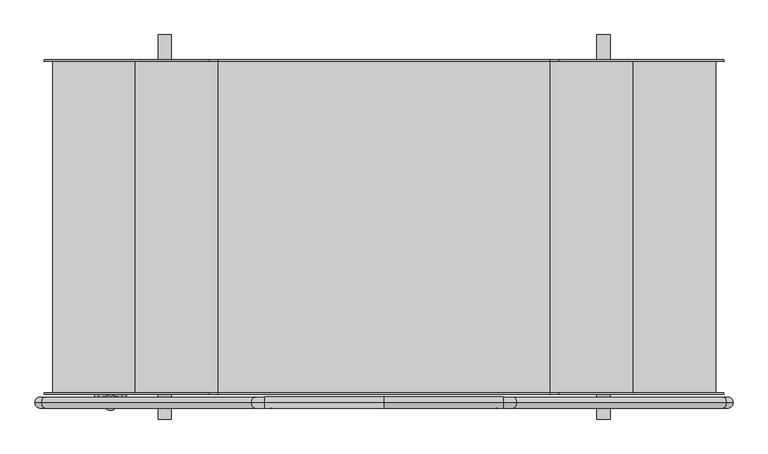
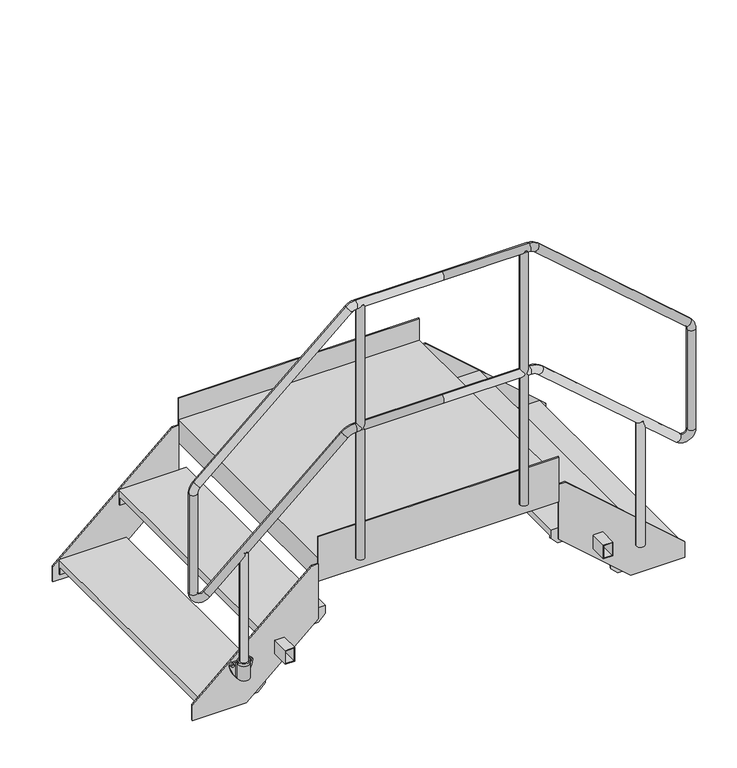
"""IFC4 building model written with IfcOpenShell, lengths in millimetres: beam geometry."""

from ifc_helpers import new_model, si_unit, point, frame, frame_2d, origin, place, context, project, spatial, polyline, circle_curve, ellipse_curve, trimmed, segment, composite_curve, outline, extrude, faceted_brep, source, transform, mapped, element, save
from ifc_brep_helpers import plane_surface, cylinder_surface, revolved_surface, advanced_brep


def beam_e1da2f16(model_context):
    return source(origin(), model_context, "Body", "SolidModel", [
        advanced_brep(
        [(-848.5, -530.5, 318.5021879), (-801.5, -530.5, 318.5021879), (-842.5, -530.5, 318.5021879), (-807.5, -530.5, 318.5021879), (-840.6843871, -513.0, 306.5021879), (-809.3156129, -513.0, 306.5021879), (-825.0, -513.0, 306.5021879), (-842.5, -530.5, 306.5021879), (-829.2742096, -513.5299932, 306.5021879), (-825.0, -513.0, 306.5021879), (-820.7257904, -513.5299932, 306.5021879), (-807.5, -530.5, 306.5021879), (-848.5, -530.5, 306.5021879), (-801.5, -530.5, 306.5021879), (-805.0724935, -518.0442991, 306.5021879), (-844.9275065, -518.0442991, 306.5021879), (-802.160166, -513.0, 306.5021879), (-847.839834, -513.0, 306.5021879), (-805.0724935, -518.0442991, 242.5021879), (-844.9275065, -518.0442991, 242.5021879), (-847.839834, -513.0, 242.5021879), (-802.160166, -513.0, 242.5021879), (-820.7257904, -513.5299932, 242.5021879), (-829.2742096, -513.5299932, 242.5021879)],
        [
            (0, 1, circle_curve(frame((-825.0, -530.5, 318.5021879), z_axis=(0.0, 0.0, 1.0), x_axis=(1.0, 0.0, 0.0)), 23.5)),
            (1, 0, circle_curve(frame((-825.0, -530.5, 318.5021879), z_axis=(0.0, 0.0, 1.0), x_axis=(1.0, 0.0, 0.0)), 23.5)),
            (2, 3, circle_curve(frame((-825.0, -530.5, 318.5021879), z_axis=(0.0, 0.0, -1.0), x_axis=(1.0, 0.0, 0.0)), 17.5)),
            (3, 2, circle_curve(frame((-825.0, -530.5, 318.5021879), z_axis=(0.0, 0.0, -1.0), x_axis=(1.0, 0.0, 0.0)), 17.5)),
            (4, 5, circle_curve(frame((-825.0, -530.5, 306.5021879), z_axis=(0.0, 0.0, -1.0), x_axis=(1.0, 0.0, 0.0)), 23.5)),
            (5, 6),
            (6, 4),
            (2, 7),
            (7, 8, circle_curve(frame((-825.0, -530.5, 306.5021879), z_axis=(0.0, 0.0, -1.0), x_axis=(1.0, 0.0, 0.0)), 17.5)),
            (8, 9, circle_curve(frame((-825.0, -530.5, 306.5021879), z_axis=(0.0, 0.0, -1.0), x_axis=(1.0, 0.0, 0.0)), 17.5)),
            (9, 10, circle_curve(frame((-825.0, -530.5, 306.5021879), z_axis=(0.0, 0.0, -1.0), x_axis=(1.0, 0.0, 0.0)), 17.5)),
            (10, 11, circle_curve(frame((-825.0, -530.5, 306.5021879), z_axis=(0.0, 0.0, -1.0), x_axis=(1.0, 0.0, 0.0)), 17.5)),
            (11, 3),
            (11, 7, circle_curve(frame((-825.0, -530.5, 306.5021879), z_axis=(0.0, 0.0, -1.0), x_axis=(1.0, 0.0, 0.0)), 17.5)),
            (0, 12),
            (12, 13, circle_curve(frame((-825.0, -530.5, 306.5021879), z_axis=(0.0, 0.0, 1.0), x_axis=(1.0, 0.0, 0.0)), 23.5)),
            (13, 1),
            (13, 14, circle_curve(frame((-825.0, -530.5, 306.5021879), z_axis=(0.0, 0.0, 1.0), x_axis=(1.0, 0.0, 0.0)), 23.5)),
            (14, 5, circle_curve(frame((-825.0, -530.5, 306.5021879), z_axis=(0.0, 0.0, 1.0), x_axis=(1.0, 0.0, 0.0)), 23.5)),
            (4, 15, circle_curve(frame((-825.0, -530.5, 306.5021879), z_axis=(0.0, 0.0, 1.0), x_axis=(1.0, 0.0, 0.0)), 23.5)),
            (15, 12, circle_curve(frame((-825.0, -530.5, 306.5021879), z_axis=(0.0, 0.0, 1.0), x_axis=(1.0, 0.0, 0.0)), 23.5)),
            (8, 10),
            (14, 16, circle_curve(frame((-802.1711253, -516.3565387, 306.5021879), z_axis=(0.0, 0.0, -1.0), x_axis=(-1.0, 0.0, 0.0)), 3.3565566)),
            (16, 5),
            (17, 15, circle_curve(frame((-847.8288747, -516.3565387, 306.5021879), z_axis=(0.0, 0.0, -1.0), x_axis=(1.0, 0.0, 0.0)), 3.3565566)),
            (4, 17),
            (18, 19, circle_curve(frame((-825.0, -530.5, 242.5021879), z_axis=(0.0, 0.0, -1.0), x_axis=(1.0, 0.0, 0.0)), 23.5)),
            (19, 20, circle_curve(frame((-847.8288747, -516.3565387, 242.5021879), z_axis=(0.0, 0.0, 1.0), x_axis=(1.0, 0.0, 0.0)), 3.3565566)),
            (20, 21),
            (21, 18, circle_curve(frame((-802.1711253, -516.3565387, 242.5021879), z_axis=(0.0, 0.0, 1.0), x_axis=(-1.0, 0.0, 0.0)), 3.3565566)),
            (22, 23),
            (23, 22, circle_curve(frame((-825.0, -530.5, 242.5021879), z_axis=(0.0, 0.0, 1.0), x_axis=(1.0, 0.0, 0.0)), 17.5)),
            (23, 8),
            (10, 22),
            (14, 18),
            (21, 16),
            (20, 17),
            (19, 15),
        ],
        [
            plane_surface(frame((-807.5, -530.5, 318.5021879), z_axis=(0.0, 0.0, 1.0), x_axis=(0.0, -1.0, 0.0))),
            plane_surface(frame((-807.5, -530.5, 306.5021879), z_axis=(0.0, 0.0, -1.0), x_axis=(0.0, 1.0, 0.0))),
            revolved_surface(polyline([(-807.5, -530.5, 306.5021879), (-807.5, -530.5, 318.5021879)]), (-825.0, -530.5, 306.5021879), (0.0, 0.0, -1.0)),
            cylinder_surface(frame((-825.0, -530.5, 306.5021879), z_axis=(0.0, 0.0, 1.0), x_axis=(1.0, 0.0, 0.0)), 23.5),
            plane_surface(frame((-807.5, -530.5, 306.5021879), z_axis=(0.0, 0.0, 1.0), x_axis=(0.0, -1.0, 0.0))),
            plane_surface(frame((-807.5, -530.5, 242.5021879), z_axis=(0.0, 0.0, -1.0), x_axis=(0.0, 1.0, 0.0))),
            revolved_surface(polyline([(-807.5, -530.5, 242.5021879), (-807.5, -530.5, 306.5021879)]), (-825.0, -530.5, 242.5021879), (0.0, 0.0, -1.0)),
            plane_surface(frame((-829.2742096, -513.5299932, 306.5021879), z_axis=(0.0, -1.0, 0.0), x_axis=(0.0, 0.0, -1.0))),
            revolved_surface(polyline([(-805.5276819, -516.3565387, 242.5021879), (-805.5276819, -516.3565387, 306.5021879)]), (-802.1711253, -516.3565387, 242.5021879), (0.0, 0.0, -1.0)),
            plane_surface(frame((-802.160166, -513.0, 306.5021879), z_axis=(0.0, 1.0, 0.0), x_axis=(0.0, 0.0, -1.0))),
            revolved_surface(polyline([(-844.4723181, -516.3565387, 242.5021879), (-844.4723181, -516.3565387, 306.5021879)]), (-847.8288747, -516.3565387, 242.5021879), (0.0, 0.0, -1.0)),
            cylinder_surface(frame((-825.0, -530.5, 242.5021879), z_axis=(0.0, 0.0, 1.0), x_axis=(1.0, 0.0, 0.0)), 23.5),
        ],
        [
            (0, [[1, 2], [3, 4]]),
            (1, [[5, 6, 7]]),
            (2, [[-3, 8, 9, 10, 11, 12, 13]]),
            (2, [[-4, -13, 14, -8]]),
            (3, [[-1, 15, 16, 17]]),
            (3, [[-2, -17, 18, 19, -5, 20, 21, -15]]),
            (4, [[22, -11, -10]]),
            (4, [[23, 24, -19]]),
            (4, [[25, -20, 26]]),
            (5, [[27, 28, 29, 30], [31, 32]]),
            (6, [[-32, 33, -9, -14, -12, 34]]),
            (7, [[-22, -33, -31, -34]]),
            (8, [[-23, 35, -30, 36]]),
            (9, [[-29, 37, -26, -7, -6, -24, -36]]),
            (10, [[-25, -37, -28, 38]]),
            (11, [[-27, -35, -18, -16, -21, -38]]),
        ],
    ),
        extrude(outline(composite_curve([segment(trimmed(circle_curve(frame_2d((312.1021879, -755.6)), 118.3), [point((293.8380046, -872.4816051))], [point((221.6269174, -831.8175533))], False, "CARTESIAN"), True, "CONTINUOUS"), segment(trimmed(circle_curve(frame_2d((231.5021879, -825.0)), 12.0), [point((221.6269174, -831.8175533))], [point((223.2936993, -816.246674))], False, "CARTESIAN"), True, "CONTINUOUS"), segment(trimmed(circle_curve(frame_2d((312.1021879, -894.4)), 118.3), [point((223.2936993, -816.246674))], [point((293.8380046, -777.5183949))], False, "CARTESIAN"), True, "CONTINUOUS"), segment(trimmed(circle_curve(frame_2d((294.5021879, -789.5)), 12.0), [point((293.8380046, -777.5183949))], [point((306.5021879, -789.5))], False, "CARTESIAN"), True, "CONTINUOUS"), segment(polyline([(306.5021879, -789.5), (306.5021879, -860.5)]), True, "CONTINUOUS"), segment(trimmed(circle_curve(frame_2d((294.5021879, -860.5)), 12.0), [point((306.5021879, -860.5))], [point((293.8380046, -872.4816051))], False, "CARTESIAN"), True, "CONTINUOUS")], self_intersect=False), holes=[composite_curve([segment(trimmed(circle_curve(frame_2d((231.5021879, -825.0)), 6.0), [point((231.5021879, -831.0))], [point((231.5021879, -819.0))], True, "CARTESIAN"), True, "CONTINUOUS"), segment(trimmed(circle_curve(frame_2d((231.5021879, -825.0)), 6.0), [point((231.5021879, -819.0))], [point((231.5021879, -831.0))], True, "CARTESIAN"), True, "CONTINUOUS")], self_intersect=False), composite_curve([segment(trimmed(circle_curve(frame_2d((294.5021879, -860.5)), 6.0), [point((294.5021879, -866.5))], [point((294.5021879, -854.5))], True, "CARTESIAN"), True, "CONTINUOUS"), segment(trimmed(circle_curve(frame_2d((294.5021879, -860.5)), 6.0), [point((294.5021879, -854.5))], [point((294.5021879, -866.5))], True, "CARTESIAN"), True, "CONTINUOUS")], self_intersect=False), composite_curve([segment(trimmed(circle_curve(frame_2d((294.5021879, -789.5)), 6.0), [point((294.5021879, -783.5))], [point((294.5021879, -795.5))], True, "CARTESIAN"), True, "CONTINUOUS"), segment(trimmed(circle_curve(frame_2d((294.5021879, -789.5)), 6.0), [point((294.5021879, -795.5))], [point((294.5021879, -783.5))], True, "CARTESIAN"), True, "CONTINUOUS")], self_intersect=False)]), frame((0.0, -513.0, 0.0), z_axis=(0.0, 1.0, 0.0), x_axis=(0.0, 0.0, 1.0)), (0.0, 0.0, 1.0), 8.0),
        extrude(outline(composite_curve([segment(trimmed(circle_curve(frame_2d((-825.0, -530.5)), 16.8), [point((-841.8, -530.5))], [point((-808.2, -530.5))], False, "CARTESIAN"), True, "CONTINUOUS"), segment(trimmed(circle_curve(frame_2d((-825.0, -530.5)), 16.8), [point((-808.2, -530.5))], [point((-841.8, -530.5))], False, "CARTESIAN"), True, "CONTINUOUS")], self_intersect=False)), frame((0.0, 0.0, 248.5021879), z_axis=(0.0, 0.0, 1.0), x_axis=(1.0, 0.0, 0.0)), (0.0, 0.0, 1.0), 552.0),
        extrude(outline(composite_curve([segment(trimmed(circle_curve(frame_2d((825.0, -530.5)), 16.8), [point((841.8, -530.5))], [point((808.2, -530.5))], False, "CARTESIAN"), True, "CONTINUOUS"), segment(trimmed(circle_curve(frame_2d((825.0, -530.5)), 16.8), [point((808.2, -530.5))], [point((841.8, -530.5))], False, "CARTESIAN"), True, "CONTINUOUS")], self_intersect=False)), frame((0.0, 0.0, 248.5021879), z_axis=(0.0, 0.0, 1.0), x_axis=(1.0, 0.0, 0.0)), (0.0, 0.0, 1.0), 552.0),
        extrude(outline(composite_curve([segment(trimmed(circle_curve(frame_2d((-340.0, -530.5)), 16.8), [point((-356.8, -530.5))], [point((-323.2, -530.5))], False, "CARTESIAN"), True, "CONTINUOUS"), segment(trimmed(circle_curve(frame_2d((-340.0, -530.5)), 16.8), [point((-323.2, -530.5))], [point((-356.8, -530.5))], False, "CARTESIAN"), True, "CONTINUOUS")], self_intersect=False)), frame((0.0, 0.0, 600.5021879), z_axis=(0.0, 0.0, 1.0), x_axis=(1.0, 0.0, 0.0)), (0.0, 0.0, 1.0), 1120.0),
        extrude(outline(composite_curve([segment(trimmed(circle_curve(frame_2d((340.0, -530.5)), 16.8), [point((356.8, -530.5))], [point((323.2, -530.5))], False, "CARTESIAN"), True, "CONTINUOUS"), segment(trimmed(circle_curve(frame_2d((340.0, -530.5)), 16.8), [point((323.2, -530.5))], [point((356.8, -530.5))], False, "CARTESIAN"), True, "CONTINUOUS")], self_intersect=False)), frame((0.0, 0.0, 600.5021879), z_axis=(0.0, 0.0, 1.0), x_axis=(1.0, 0.0, 0.0)), (0.0, 0.0, 1.0), 1120.0),
        advanced_brep(
        [(0.0, -530.5, 1703.9021879), (360.0669192, -530.5, 1703.9021879), (360.0669192, -530.5, 1737.5021879), (0.0, -530.5, 1737.5021879), (377.3868776, -530.5, 1697.4265208), (399.430461, -530.5, 1722.7847627), (1010.3199584, -530.5, 1147.2261877), (1032.3635417, -530.5, 1172.5844296), (1019.4, -530.5, 1127.3018548), (1053.0, -530.5, 1127.3018548), (1019.4, -530.5, 689.3047776), (1053.0, -530.5, 689.3047776), (992.2406319, -530.5, 676.9275405), (970.1970486, -530.5, 651.5692986), (418.6523008, -530.5, 1175.5402697), (396.6087175, -530.5, 1150.1820278), (363.805766, -530.5, 1196.0465487), (363.805766, -530.5, 1162.4465487), (0.0, -530.5, 1196.0465487), (0.0, -530.5, 1162.4465487), (-360.0669192, -530.5, 1737.5021879), (-360.0669192, -530.5, 1703.9021879), (-399.430461, -530.5, 1722.7847627), (-377.3868776, -530.5, 1697.4265208), (-1032.3635417, -530.5, 1172.5844296), (-1010.3199584, -530.5, 1147.2261877), (-1053.0, -530.5, 1127.3018548), (-1019.4, -530.5, 1127.3018548), (-1053.0, -530.5, 689.3047776), (-1019.4, -530.5, 689.3047776), (-970.1970486, -530.5, 651.5692986), (-992.2406319, -530.5, 676.9275405), (-396.6087175, -530.5, 1150.1820278), (-418.6523008, -530.5, 1175.5402697), (-363.805766, -530.5, 1162.4465487), (-363.805766, -530.5, 1196.0465487)],
        [
            (0, 1),
            (1, 2, circle_curve(frame((360.0669192, -530.5, 1720.7021879), z_axis=(-1.0, 0.0, 0.0), x_axis=(0.0, 0.0, -1.0)), 16.8)),
            (2, 3),
            (3, 0, circle_curve(frame((0.0, -530.5, 1720.7021879), z_axis=(1.0, 0.0, 0.0), x_axis=(0.0, 0.0, -1.0)), 16.8)),
            (0, 3, circle_curve(frame((0.0, -530.5, 1720.7021879), z_axis=(1.0, 0.0, 0.0), x_axis=(0.0, 0.0, -1.0)), 16.8)),
            (2, 1, circle_curve(frame((360.0669192, -530.5, 1720.7021879), z_axis=(-1.0, 0.0, 0.0), x_axis=(0.0, 0.0, -1.0)), 16.8)),
            (1, 4, circle_curve(frame((360.0669192, -530.5, 1677.5021879), z_axis=(0.0, 1.0, 0.0), x_axis=(0.0, 0.0, 1.0)), 26.4)),
            (4, 5, circle_curve(frame((388.4086693, -530.5, 1710.1056417), z_axis=(-0.754709580222773, 0.0, 0.656059028990506), x_axis=(-0.656059028990506, 0.0, -0.754709580222773)), 16.8)),
            (5, 2, circle_curve(frame((360.0669192, -530.5, 1677.5021879), z_axis=(0.0, -1.0, 0.0), x_axis=(0.0, 0.0, 1.0)), 60.0)),
            (5, 4, circle_curve(frame((388.4086693, -530.5, 1710.1056417), z_axis=(-0.7547095802227751, 0.0, 0.6560590289905037), x_axis=(-0.6560590289905037, 0.0, -0.7547095802227751)), 16.8)),
            (4, 6),
            (6, 7, circle_curve(frame((1021.3417501, -530.5, 1159.9053087), z_axis=(-0.7547095802227749, 0.0, 0.6560590289905042), x_axis=(-0.6560590289905041, 0.0, -0.7547095802227747)), 16.8)),
            (7, 5),
            (7, 6, circle_curve(frame((1021.3417501, -530.5, 1159.9053087), z_axis=(-0.7547095802227749, 0.0, 0.6560590289905042), x_axis=(-0.6560590289905041, 0.0, -0.7547095802227747)), 16.8)),
            (6, 8, circle_curve(frame((993.0, -530.5, 1127.3018548), z_axis=(0.0, 1.0, 0.0), x_axis=(0.6560590289905052, 0.0, 0.7547095802227739)), 26.4)),
            (8, 9, circle_curve(frame((1036.2, -530.5, 1127.3018548), z_axis=(0.0, 0.0, 1.0), x_axis=(-1.0, 0.0, 0.0)), 16.8)),
            (9, 7, circle_curve(frame((993.0, -530.5, 1127.3018548), z_axis=(0.0, -1.0, 0.0), x_axis=(0.6560590289905052, 0.0, 0.7547095802227739)), 60.0)),
            (9, 8, circle_curve(frame((1036.2, -530.5, 1127.3018548), z_axis=(0.0, 0.0, 1.0), x_axis=(-1.0, 0.0, 0.0)), 16.8)),
            (8, 10),
            (10, 11, circle_curve(frame((1036.2, -530.5, 689.3047776), z_axis=(0.0, 0.0, 1.0), x_axis=(-1.0, 0.0, 0.0)), 16.8)),
            (11, 9),
            (11, 10, circle_curve(frame((1036.2, -530.5, 689.3047776), z_axis=(0.0, 0.0, 1.0), x_axis=(-1.0, 0.0, 0.0)), 16.8)),
            (10, 12, circle_curve(frame((1003.0, -530.5, 689.3047776), z_axis=(0.0, 1.0, 0.0), x_axis=(1.0, 0.0, 0.0)), 16.4)),
            (12, 13, circle_curve(frame((981.2188402, -530.5, 664.2484195), z_axis=(0.7547095802227699, 0.0, -0.6560590289905096), x_axis=(0.6560590289905096, 0.0, 0.7547095802227699)), 16.8)),
            (13, 11, circle_curve(frame((1003.0, -530.5, 689.3047776), z_axis=(0.0, -1.0, 0.0), x_axis=(1.0, 0.0, 0.0)), 50.0)),
            (13, 12, circle_curve(frame((981.2188402, -530.5, 664.2484195), z_axis=(0.7547095802227763, 0.0, -0.6560590289905023), x_axis=(0.6560590289905023, 0.0, 0.7547095802227763)), 16.8)),
            (12, 14),
            (14, 15, circle_curve(frame((407.6305092, -530.5, 1162.8611487), z_axis=(0.754709580222775, 0.0, -0.6560590289905041), x_axis=(0.6560590289905041, 0.0, 0.754709580222775)), 16.8)),
            (15, 13),
            (15, 14, circle_curve(frame((407.6305092, -530.5, 1162.8611487), z_axis=(0.754709580222775, 0.0, -0.6560590289905041), x_axis=(0.6560590289905041, 0.0, 0.754709580222775)), 16.8)),
            (14, 16, circle_curve(frame((363.805766, -530.5, 1112.4465487), z_axis=(0.0, -1.0, 0.0), x_axis=(0.6560590289905083, 0.0, 0.754709580222771)), 83.6)),
            (16, 17, circle_curve(frame((363.805766, -530.5, 1179.2465487), z_axis=(0.9999999999999999, 0.0, 0.0), x_axis=(0.0, 0.0, 0.9999999999999999)), 16.8)),
            (17, 15, circle_curve(frame((363.805766, -530.5, 1112.4465487), z_axis=(0.0, 1.0, 0.0), x_axis=(0.6560590289905083, 0.0, 0.754709580222771)), 50.0)),
            (17, 16, circle_curve(frame((363.805766, -530.5, 1179.2465487), z_axis=(1.0, 0.0, 0.0), x_axis=(0.0, 0.0, 1.0)), 16.8)),
            (16, 18),
            (18, 19, circle_curve(frame((0.0, -530.5, 1179.2465487), z_axis=(1.0, 0.0, 0.0), x_axis=(0.0, 0.0, 1.0)), 16.8)),
            (19, 17),
            (19, 18, circle_curve(frame((0.0, -530.5, 1179.2465487), z_axis=(1.0, 0.0, 0.0), x_axis=(0.0, 0.0, 1.0)), 16.8)),
            (3, 20),
            (20, 21, circle_curve(frame((-360.0669192, -530.5, 1720.7021879), z_axis=(1.0, 0.0, 0.0), x_axis=(0.0, 0.0, -1.0)), 16.8)),
            (21, 0),
            (21, 20, circle_curve(frame((-360.0669192, -530.5, 1720.7021879), z_axis=(1.0, 0.0, 0.0), x_axis=(0.0, 0.0, -1.0)), 16.8)),
            (20, 22, circle_curve(frame((-360.0669192, -530.5, 1677.5021879), z_axis=(0.0, -1.0, 0.0), x_axis=(0.0, 0.0, 1.0)), 60.0)),
            (22, 23, circle_curve(frame((-388.4086693, -530.5, 1710.1056417), z_axis=(0.7547095802227751, 0.0, 0.6560590289905037), x_axis=(0.6560590289905037, 0.0, -0.7547095802227751)), 16.8)),
            (23, 21, circle_curve(frame((-360.0669192, -530.5, 1677.5021879), z_axis=(0.0, 1.0, 0.0), x_axis=(0.0, 0.0, 1.0)), 26.4)),
            (23, 22, circle_curve(frame((-388.4086693, -530.5, 1710.1056417), z_axis=(0.7547095802227743, 0.0, 0.6560590289905045), x_axis=(0.6560590289905045, 0.0, -0.7547095802227743)), 16.8)),
            (22, 24),
            (24, 25, circle_curve(frame((-1021.3417501, -530.5, 1159.9053087), z_axis=(0.7547095802227749, 0.0, 0.6560590289905042), x_axis=(0.6560590289905041, 0.0, -0.7547095802227747)), 16.8)),
            (25, 23),
            (25, 24, circle_curve(frame((-1021.3417501, -530.5, 1159.9053087), z_axis=(0.7547095802227749, 0.0, 0.6560590289905042), x_axis=(0.6560590289905041, 0.0, -0.7547095802227747)), 16.8)),
            (24, 26, circle_curve(frame((-993.0, -530.5, 1127.3018548), z_axis=(0.0, -1.0, 0.0), x_axis=(-0.6560590289905052, 0.0, 0.7547095802227739)), 60.0)),
            (26, 27, circle_curve(frame((-1036.2, -530.5, 1127.3018548), z_axis=(0.0, 0.0, 1.0), x_axis=(1.0, 0.0, 0.0)), 16.8)),
            (27, 25, circle_curve(frame((-993.0, -530.5, 1127.3018548), z_axis=(0.0, 1.0, 0.0), x_axis=(-0.6560590289905052, 0.0, 0.7547095802227739)), 26.4)),
            (27, 26, circle_curve(frame((-1036.2, -530.5, 1127.3018548), z_axis=(0.0, 0.0, 1.0), x_axis=(1.0, 0.0, 0.0)), 16.8)),
            (26, 28),
            (28, 29, circle_curve(frame((-1036.2, -530.5, 689.3047776), z_axis=(0.0, 0.0, 1.0), x_axis=(1.0, 0.0, 0.0)), 16.8)),
            (29, 27),
            (29, 28, circle_curve(frame((-1036.2, -530.5, 689.3047776), z_axis=(0.0, 0.0, 1.0), x_axis=(1.0, 0.0, 0.0)), 16.8)),
            (28, 30, circle_curve(frame((-1003.0, -530.5, 689.3047776), z_axis=(0.0, -1.0, 0.0), x_axis=(-1.0, 0.0, 0.0)), 50.0)),
            (30, 31, circle_curve(frame((-981.2188402, -530.5, 664.2484195), z_axis=(-0.7547095802227763, 0.0, -0.6560590289905023), x_axis=(-0.6560590289905023, 0.0, 0.7547095802227763)), 16.8)),
            (31, 29, circle_curve(frame((-1003.0, -530.5, 689.3047776), z_axis=(0.0, 1.0, 0.0), x_axis=(-1.0, 0.0, 0.0)), 16.4)),
            (31, 30, circle_curve(frame((-981.2188402, -530.5, 664.2484195), z_axis=(-0.754709580222774, 0.0, -0.6560590289905049), x_axis=(-0.6560590289905049, 0.0, 0.754709580222774)), 16.8)),
            (30, 32),
            (32, 33, circle_curve(frame((-407.6305092, -530.5, 1162.8611487), z_axis=(-0.7547095802227749, 0.0, -0.6560590289905041), x_axis=(-0.6560590289905041, 0.0, 0.7547095802227749)), 16.8)),
            (33, 31),
            (33, 32, circle_curve(frame((-407.6305092, -530.5, 1162.8611487), z_axis=(-0.7547095802227749, 0.0, -0.6560590289905041), x_axis=(-0.6560590289905041, 0.0, 0.7547095802227749)), 16.8)),
            (32, 34, circle_curve(frame((-363.805766, -530.5, 1112.4465487), z_axis=(0.0, 1.0, 0.0), x_axis=(-0.6560590289905083, 0.0, 0.754709580222771)), 50.0)),
            (34, 35, circle_curve(frame((-363.805766, -530.5, 1179.2465487), z_axis=(-1.0, 0.0, 0.0), x_axis=(0.0, 0.0, 1.0)), 16.8)),
            (35, 33, circle_curve(frame((-363.805766, -530.5, 1112.4465487), z_axis=(0.0, -1.0, 0.0), x_axis=(-0.6560590289905083, 0.0, 0.754709580222771)), 83.6)),
            (35, 34, circle_curve(frame((-363.805766, -530.5, 1179.2465487), z_axis=(-0.9999999999999999, 0.0, 0.0), x_axis=(0.0, 0.0, 0.9999999999999999)), 16.8)),
            (34, 19),
            (18, 35),
        ],
        [
            cylinder_surface(frame((0.0, -530.5, 1720.7021879), z_axis=(-1.0, 0.0, 0.0), x_axis=(0.0, 0.0, -1.0)), 16.8),
            revolved_surface(trimmed(ellipse_curve(frame((360.0669192, -530.5, 1720.7021879), z_axis=(-1.0, 0.0, 0.0), x_axis=(0.0, 0.0, -1.0)), 16.8, 16.8), [point((360.0669192, -530.5, 1703.9021879))], [point((360.0669192, -530.5, 1737.5021879))], True, "CARTESIAN"), (360.0669192, -530.5, 1677.5021879), (0.0, 1.0, 0.0)),
            revolved_surface(trimmed(ellipse_curve(frame((360.0669192, -530.5, 1720.7021879), z_axis=(-1.0, 0.0, 0.0), x_axis=(0.0, 0.0, -1.0)), 16.8, 16.8), [point((360.0669192, -530.5, 1737.5021879))], [point((360.0669192, -530.5, 1703.9021879))], True, "CARTESIAN"), (360.0669192, -530.5, 1677.5021879), (0.0, 1.0, 0.0)),
            cylinder_surface(frame((388.4086693, -530.5, 1710.1056417), z_axis=(-0.7547095802227747, 0.0, 0.6560590289905041), x_axis=(-0.6560590289905041, 0.0, -0.7547095802227747)), 16.8),
            revolved_surface(trimmed(ellipse_curve(frame((1021.3417501, -530.5, 1159.9053087), z_axis=(-0.754709580222774, 0.0, 0.656059028990505), x_axis=(-0.656059028990505, 0.0, -0.754709580222774)), 16.8, 16.8), [point((1010.3199584, -530.5, 1147.2261877))], [point((1032.3635417, -530.5, 1172.5844296))], True, "CARTESIAN"), (993.0, -530.5, 1127.3018548), (0.0, 1.0, 0.0)),
            revolved_surface(trimmed(ellipse_curve(frame((1021.3417501, -530.5, 1159.9053087), z_axis=(-0.754709580222774, 0.0, 0.656059028990505), x_axis=(-0.656059028990505, 0.0, -0.754709580222774)), 16.8, 16.8), [point((1032.3635417, -530.5, 1172.5844296))], [point((1010.3199584, -530.5, 1147.2261877))], True, "CARTESIAN"), (993.0, -530.5, 1127.3018548), (0.0, 1.0, 0.0)),
            cylinder_surface(frame((1036.2, -530.5, 1127.3018548), z_axis=(0.0, 0.0, 1.0), x_axis=(-1.0, 0.0, 0.0)), 16.8),
            revolved_surface(trimmed(ellipse_curve(frame((1036.2, -530.5, 689.3047776), z_axis=(0.0, 0.0, 1.0), x_axis=(-1.0, 0.0, 0.0)), 16.8, 16.8), [point((1019.4, -530.5, 689.3047776))], [point((1053.0, -530.5, 689.3047776))], True, "CARTESIAN"), (1003.0, -530.5, 689.3047776), (0.0, 1.0, 0.0)),
            revolved_surface(trimmed(ellipse_curve(frame((1036.2, -530.5, 689.3047776), z_axis=(0.0, 0.0, 1.0), x_axis=(-1.0, 0.0, 0.0)), 16.8, 16.8), [point((1053.0, -530.5, 689.3047776))], [point((1019.4, -530.5, 689.3047776))], True, "CARTESIAN"), (1003.0, -530.5, 689.3047776), (0.0, 1.0, 0.0)),
            cylinder_surface(frame((981.2188402, -530.5, 664.2484195), z_axis=(0.754709580222775, 0.0, -0.6560590289905041), x_axis=(0.6560590289905041, 0.0, 0.754709580222775)), 16.8),
            revolved_surface(trimmed(ellipse_curve(frame((407.6305092, -530.5, 1162.8611487), z_axis=(0.7547095802227712, 0.0, -0.656059028990508), x_axis=(0.656059028990508, 0.0, 0.7547095802227712)), 16.8, 16.8), [point((418.6523008, -530.5, 1175.5402697))], [point((396.6087175, -530.5, 1150.1820278))], True, "CARTESIAN"), (363.805766, -530.5, 1112.4465487), (0.0, -1.0, 0.0)),
            revolved_surface(trimmed(ellipse_curve(frame((407.6305092, -530.5, 1162.8611487), z_axis=(0.7547095802227712, 0.0, -0.656059028990508), x_axis=(0.656059028990508, 0.0, 0.7547095802227712)), 16.8, 16.8), [point((396.6087175, -530.5, 1150.1820278))], [point((418.6523008, -530.5, 1175.5402697))], True, "CARTESIAN"), (363.805766, -530.5, 1112.4465487), (0.0, -1.0, 0.0)),
            cylinder_surface(frame((363.805766, -530.5, 1179.2465487), z_axis=(1.0, 0.0, 0.0), x_axis=(0.0, 0.0, 1.0)), 16.8),
            cylinder_surface(frame((0.0, -530.5, 1720.7021879), z_axis=(1.0, 0.0, 0.0), x_axis=(0.0, 0.0, -1.0)), 16.8),
            revolved_surface(trimmed(ellipse_curve(frame((-360.0669192, -530.5, 1720.7021879), z_axis=(1.0, 0.0, 0.0), x_axis=(0.0, 0.0, -1.0)), 16.8, 16.8), [point((-360.0669192, -530.5, 1737.5021879))], [point((-360.0669192, -530.5, 1703.9021879))], True, "CARTESIAN"), (-360.0669192, -530.5, 1677.5021879), (0.0, -1.0, 0.0)),
            revolved_surface(trimmed(ellipse_curve(frame((-360.0669192, -530.5, 1720.7021879), z_axis=(1.0, 0.0, 0.0), x_axis=(0.0, 0.0, -1.0)), 16.8, 16.8), [point((-360.0669192, -530.5, 1703.9021879))], [point((-360.0669192, -530.5, 1737.5021879))], True, "CARTESIAN"), (-360.0669192, -530.5, 1677.5021879), (0.0, -1.0, 0.0)),
            cylinder_surface(frame((-388.4086693, -530.5, 1710.1056417), z_axis=(0.7547095802227747, 0.0, 0.6560590289905041), x_axis=(0.6560590289905041, 0.0, -0.7547095802227747)), 16.8),
            revolved_surface(trimmed(ellipse_curve(frame((-1021.3417501, -530.5, 1159.9053087), z_axis=(0.754709580222774, 0.0, 0.656059028990505), x_axis=(0.656059028990505, 0.0, -0.754709580222774)), 16.8, 16.8), [point((-1032.3635417, -530.5, 1172.5844296))], [point((-1010.3199584, -530.5, 1147.2261877))], True, "CARTESIAN"), (-993.0, -530.5, 1127.3018548), (0.0, -1.0, 0.0)),
            revolved_surface(trimmed(ellipse_curve(frame((-1021.3417501, -530.5, 1159.9053087), z_axis=(0.754709580222774, 0.0, 0.656059028990505), x_axis=(0.656059028990505, 0.0, -0.754709580222774)), 16.8, 16.8), [point((-1010.3199584, -530.5, 1147.2261877))], [point((-1032.3635417, -530.5, 1172.5844296))], True, "CARTESIAN"), (-993.0, -530.5, 1127.3018548), (0.0, -1.0, 0.0)),
            cylinder_surface(frame((-1036.2, -530.5, 1127.3018548), z_axis=(0.0, 0.0, 1.0), x_axis=(1.0, 0.0, 0.0)), 16.8),
            revolved_surface(trimmed(ellipse_curve(frame((-1036.2, -530.5, 689.3047776), z_axis=(0.0, 0.0, 1.0), x_axis=(1.0, 0.0, 0.0)), 16.8, 16.8), [point((-1053.0, -530.5, 689.3047776))], [point((-1019.4, -530.5, 689.3047776))], True, "CARTESIAN"), (-1003.0, -530.5, 689.3047776), (0.0, -1.0, 0.0)),
            revolved_surface(trimmed(ellipse_curve(frame((-1036.2, -530.5, 689.3047776), z_axis=(0.0, 0.0, 1.0), x_axis=(1.0, 0.0, 0.0)), 16.8, 16.8), [point((-1019.4, -530.5, 689.3047776))], [point((-1053.0, -530.5, 689.3047776))], True, "CARTESIAN"), (-1003.0, -530.5, 689.3047776), (0.0, -1.0, 0.0)),
            cylinder_surface(frame((-981.2188402, -530.5, 664.2484195), z_axis=(-0.7547095802227749, 0.0, -0.6560590289905041), x_axis=(-0.6560590289905041, 0.0, 0.7547095802227749)), 16.8),
            revolved_surface(trimmed(ellipse_curve(frame((-407.6305092, -530.5, 1162.8611487), z_axis=(-0.7547095802227712, 0.0, -0.656059028990508), x_axis=(-0.656059028990508, 0.0, 0.7547095802227712)), 16.8, 16.8), [point((-396.6087175, -530.5, 1150.1820278))], [point((-418.6523008, -530.5, 1175.5402697))], True, "CARTESIAN"), (-363.805766, -530.5, 1112.4465487), (0.0, 1.0, 0.0)),
            revolved_surface(trimmed(ellipse_curve(frame((-407.6305092, -530.5, 1162.8611487), z_axis=(-0.7547095802227712, 0.0, -0.656059028990508), x_axis=(-0.656059028990508, 0.0, 0.7547095802227712)), 16.8, 16.8), [point((-418.6523008, -530.5, 1175.5402697))], [point((-396.6087175, -530.5, 1150.1820278))], True, "CARTESIAN"), (-363.805766, -530.5, 1112.4465487), (0.0, 1.0, 0.0)),
            cylinder_surface(frame((-363.805766, -530.5, 1179.2465487), z_axis=(-1.0, 0.0, 0.0), x_axis=(0.0, 0.0, 1.0)), 16.8),
        ],
        [
            (0, [[1, 2, 3, 4]]),
            (0, [[-1, 5, -3, 6]]),
            (1, [[-2, 7, 8, 9]]),
            (2, [[-6, -9, 10, -7]]),
            (3, [[-8, 11, 12, 13]]),
            (3, [[-10, -13, 14, -11]]),
            (4, [[-12, 15, 16, 17]]),
            (5, [[-14, -17, 18, -15]]),
            (6, [[-16, 19, 20, 21]]),
            (6, [[-18, -21, 22, -19]]),
            (7, [[-20, 23, 24, 25]]),
            (8, [[-22, -25, 26, -23]]),
            (9, [[-24, 27, 28, 29]]),
            (9, [[-26, -29, 30, -27]]),
            (10, [[-28, 31, 32, 33]]),
            (11, [[-30, -33, 34, -31]]),
            (12, [[-32, 35, 36, 37]]),
            (12, [[-34, -37, 38, -35]]),
            (13, [[39, 40, 41, -4]]),
            (13, [[-39, -5, -41, 42]]),
            (14, [[-40, 43, 44, 45]]),
            (15, [[-42, -45, 46, -43]]),
            (16, [[-44, 47, 48, 49]]),
            (16, [[-46, -49, 50, -47]]),
            (17, [[-48, 51, 52, 53]]),
            (18, [[-50, -53, 54, -51]]),
            (19, [[-52, 55, 56, 57]]),
            (19, [[-54, -57, 58, -55]]),
            (20, [[-56, 59, 60, 61]]),
            (21, [[-58, -61, 62, -59]]),
            (22, [[-60, 63, 64, 65]]),
            (22, [[-62, -65, 66, -63]]),
            (23, [[-64, 67, 68, 69]]),
            (24, [[-66, -69, 70, -67]]),
            (25, [[-68, 71, -36, 72]]),
            (25, [[-70, -72, -38, -71]]),
        ],
    ),
        extrude(outline(polyline([(612.0, 495.2940503), (535.3, 495.2940503), (535.3, 500.2940503), (637.0, 500.2940503), (637.0, -499.7059497), (535.3, -499.7059497), (535.3, -494.7059497), (612.0, -494.7059497), (612.0, 495.2940503)])), frame((0.0, -500.0, 0.0), z_axis=(0.0, 1.0, 0.0), x_axis=(0.0, 0.0, 1.0)), (0.0, 0.0, 1.0), 1000.0),
        extrude(outline(polyline([(612.0, -499.7059497), (612.0, -527.7059497), (175.0, -1024.7059497), (107.0, -1024.7059497), (107.0, -799.1594677), (370.3021879, -499.7059497), (612.0, -499.7059497)])), frame((0.0, 500.0, 0.0), z_axis=(0.0, 1.0, 0.0), x_axis=(0.0, 0.0, 1.0)), (0.0, 0.0, 1.0), 5.0),
        extrude(outline(polyline([(500.2940503, 505.0), (500.2940503, 500.0), (-499.7059497, 500.0), (-499.7059497, 505.0), (500.2940503, 505.0)])), frame((0.0, 0.0, 535.3021879), z_axis=(0.0, 0.0, 1.0), x_axis=(1.0, 0.0, 0.0)), (0.0, 0.0, 1.0), 196.2),
        extrude(outline(polyline([(612.0, 500.2940503), (370.3021879, 500.2940503), (107.0, 799.7475683), (107.0, 1025.2940503), (175.0, 1025.2940503), (612.0, 528.2940503), (612.0, 500.2940503)])), frame((0.0, 500.0, 0.0), z_axis=(0.0, 1.0, 0.0), x_axis=(0.0, 0.0, 1.0)), (0.0, 0.0, 1.0), 5.0),
        faceted_brep([(-468.6285331, -495.0, 391.886984), (-744.6285331, -495.0, 391.886984), (-744.6285331, 495.0, 391.886984), (-468.6285331, 495.0, 391.886984), (-749.6285331, 500.0, 416.886984), (-468.6285331, 500.0, 416.886984), (-468.6285331, 500.0, 381.886984), (-498.6285331, 500.0, 351.886984), (-749.6285331, 500.0, 351.886984), (-468.6285331, 495.0, 381.886984), (-744.6285331, 495.0, 386.886984), (-749.6285331, 495.0, 386.886984), (-749.6285331, 495.0, 351.886984), (-498.6285331, 495.0, 351.886984), (-749.6285331, -495.0, 386.886984), (-749.6285331, -495.0, 351.886984), (-749.6285331, -500.0, 351.886984), (-749.6285331, -500.0, 416.886984), (-468.6285331, -500.0, 416.886984), (-498.6285331, -500.0, 351.886984), (-468.6285331, -500.0, 381.886984), (-744.6285331, -495.0, 386.886984), (-468.6285331, -495.0, 381.886984), (-498.6285331, -495.0, 351.886984)], [[[0, 1, 2, 3]], [[4, 5, 6, 7, 8]], [[9, 3, 2, 10, 11, 12, 13]], [[8, 12, 11, 14, 15, 16, 17, 4]], [[7, 13, 12, 8]], [[6, 9, 13, 7]], [[18, 17, 16, 19, 20]], [[15, 14, 21, 1, 0, 22, 23]], [[19, 23, 22, 20]], [[16, 15, 23, 19]], [[10, 2, 1, 21]], [[21, 14, 11, 10]], [[4, 17, 18, 5]], [[3, 9, 6, 5, 18, 20, 22, 0]]]),
        faceted_brep([(-718.7059497, -495.0, 172.0), (-994.7059497, -495.0, 172.0), (-994.7059497, 495.0, 172.0), (-718.7059497, 495.0, 172.0), (-999.7059497, 500.0, 197.0), (-718.7059497, 500.0, 197.0), (-718.7059497, 500.0, 162.0), (-748.7059497, 500.0, 132.0), (-999.7059497, 500.0, 132.0), (-718.7059497, 495.0, 162.0), (-994.7059497, 495.0, 167.0), (-999.7059497, 495.0, 167.0), (-999.7059497, 495.0, 132.0), (-748.7059497, 495.0, 132.0), (-999.7059497, -495.0, 167.0), (-999.7059497, -495.0, 132.0), (-999.7059497, -500.0, 132.0), (-999.7059497, -500.0, 197.0), (-718.7059497, -500.0, 197.0), (-748.7059497, -500.0, 132.0), (-718.7059497, -500.0, 162.0), (-994.7059497, -495.0, 167.0), (-718.7059497, -495.0, 162.0), (-748.7059497, -495.0, 132.0)], [[[0, 1, 2, 3]], [[4, 5, 6, 7, 8]], [[9, 3, 2, 10, 11, 12, 13]], [[8, 12, 11, 14, 15, 16, 17, 4]], [[7, 13, 12, 8]], [[6, 9, 13, 7]], [[18, 17, 16, 19, 20]], [[15, 14, 21, 1, 0, 22, 23]], [[19, 23, 22, 20]], [[16, 15, 23, 19]], [[10, 2, 1, 21]], [[21, 14, 11, 10]], [[4, 17, 18, 5]], [[3, 9, 6, 5, 18, 20, 22, 0]]]),
        faceted_brep([(469.2940503, -495.0, 392.0), (469.2940503, 495.0, 392.0), (745.2940503, 495.0, 392.0), (745.2940503, -495.0, 392.0), (750.2940503, 500.0, 417.0), (750.2940503, 500.0, 352.0), (499.2940503, 500.0, 352.0), (469.2940503, 500.0, 382.0), (469.2940503, 500.0, 417.0), (469.2940503, 495.0, 382.0), (499.2940503, 495.0, 352.0), (750.2940503, 495.0, 352.0), (750.2940503, 495.0, 387.0), (745.2940503, 495.0, 387.0), (750.2940503, -500.0, 417.0), (750.2940503, -500.0, 352.0), (750.2940503, -495.0, 352.0), (750.2940503, -495.0, 387.0), (469.2940503, -500.0, 417.0), (469.2940503, -500.0, 382.0), (499.2940503, -500.0, 352.0), (499.2940503, -495.0, 352.0), (469.2940503, -495.0, 382.0), (745.2940503, -495.0, 387.0)], [[[0, 1, 2, 3]], [[4, 5, 6, 7, 8]], [[9, 10, 11, 12, 13, 2, 1]], [[5, 4, 14, 15, 16, 17, 12, 11]], [[6, 5, 11, 10]], [[7, 6, 10, 9]], [[18, 19, 20, 15, 14]], [[16, 21, 22, 0, 3, 23, 17]], [[20, 19, 22, 21]], [[15, 20, 21, 16]], [[13, 23, 3, 2]], [[23, 13, 12, 17]], [[4, 8, 18, 14]], [[1, 0, 22, 19, 18, 8, 7, 9]]]),
        extrude(outline(polyline([(612.0, -499.7059497), (612.0, -527.7059497), (175.0, -1024.7059497), (107.0, -1024.7059497), (107.0, -799.1594677), (370.3021879, -499.7059497), (612.0, -499.7059497)])), frame((0.0, -505.0, 0.0), z_axis=(0.0, 1.0, 0.0), x_axis=(0.0, 0.0, 1.0)), (0.0, 0.0, 1.0), 5.0),
        extrude(outline(polyline([(500.2940503, -505.0), (-499.7059497, -505.0), (-499.7059497, -500.0), (500.2940503, -500.0), (500.2940503, -505.0)])), frame((0.0, 0.0, 535.3021879), z_axis=(0.0, 0.0, 1.0), x_axis=(1.0, 0.0, 0.0)), (0.0, 0.0, 1.0), 196.2),
        extrude(outline(polyline([(612.0, 500.2940503), (370.3021879, 500.2940503), (107.0, 799.7475683), (107.0, 1025.2940503), (175.0, 1025.2940503), (612.0, 528.2940503), (612.0, 500.2940503)])), frame((0.0, -505.0, 0.0), z_axis=(0.0, 1.0, 0.0), x_axis=(0.0, 0.0, 1.0)), (0.0, 0.0, 1.0), 5.0),
        faceted_brep([(719.2940503, -495.0, 172.0), (719.2940503, 495.0, 172.0), (995.2940503, 495.0, 172.0), (995.2940503, -495.0, 172.0), (1000.2940503, 500.0, 197.0), (1000.2940503, 500.0, 132.0), (749.2940503, 500.0, 132.0), (719.2940503, 500.0, 162.0), (719.2940503, 500.0, 197.0), (719.2940503, 495.0, 162.0), (749.2940503, 495.0, 132.0), (1000.2940503, 495.0, 132.0), (1000.2940503, 495.0, 167.0), (995.2940503, 495.0, 167.0), (1000.2940503, -500.0, 197.0), (1000.2940503, -500.0, 132.0), (1000.2940503, -495.0, 132.0), (1000.2940503, -495.0, 167.0), (719.2940503, -500.0, 197.0), (719.2940503, -500.0, 162.0), (749.2940503, -500.0, 132.0), (749.2940503, -495.0, 132.0), (719.2940503, -495.0, 162.0), (995.2940503, -495.0, 167.0)], [[[0, 1, 2, 3]], [[4, 5, 6, 7, 8]], [[9, 10, 11, 12, 13, 2, 1]], [[5, 4, 14, 15, 16, 17, 12, 11]], [[6, 5, 11, 10]], [[7, 6, 10, 9]], [[18, 19, 20, 15, 14]], [[16, 21, 22, 0, 3, 23, 17]], [[20, 19, 22, 21]], [[15, 20, 21, 16]], [[13, 23, 3, 2]], [[23, 13, 12, 17]], [[4, 8, 18, 14]], [[1, 0, 22, 19, 18, 8, 7, 9]]]),
        extrude(outline(polyline([(340.0, -641.7059497), (340.0, -681.7059497), (280.0, -681.7059497), (280.0, -641.7059497), (340.0, -641.7059497)]), holes=[polyline([(336.8, -678.7059497), (336.8, -644.7059497), (283.2, -644.7059497), (283.2, -678.7059497), (336.8, -678.7059497)])]), frame((0.0, 505.0, 0.0), z_axis=(0.0, 1.0, 0.0), x_axis=(0.0, 0.0, 1.0)), (0.0, 0.0, 1.0), 75.0),
        extrude(outline(polyline([(340.0, 682.2940503), (340.0, 642.2940503), (280.0, 642.2940503), (280.0, 682.2940503), (340.0, 682.2940503)]), holes=[polyline([(336.8, 679.0940503), (283.2, 679.0940503), (283.2, 645.4940503), (336.8, 645.4940503), (336.8, 679.0940503)])]), frame((0.0, 505.0, 0.0), z_axis=(0.0, 1.0, 0.0), x_axis=(0.0, 0.0, 1.0)), (0.0, 0.0, 1.0), 75.0),
        extrude(outline(polyline([(340.0, 682.2940503), (340.0, 642.2940503), (280.0, 642.2940503), (280.0, 682.2940503), (340.0, 682.2940503)]), holes=[polyline([(336.8, 679.0940503), (283.2, 679.0940503), (283.2, 645.4940503), (336.8, 645.4940503), (336.8, 679.0940503)])]), frame((0.0, -580.0, 0.0), z_axis=(0.0, 1.0, 0.0), x_axis=(0.0, 0.0, 1.0)), (0.0, 0.0, 1.0), 75.0),
        extrude(outline(polyline([(340.0, -641.7059497), (340.0, -681.7059497), (280.0, -681.7059497), (280.0, -641.7059497), (340.0, -641.7059497)]), holes=[polyline([(336.8, -644.7059497), (283.2, -644.7059497), (283.2, -678.7059497), (336.8, -678.7059497), (336.8, -644.7059497)])]), frame((0.0, -580.0, 0.0), z_axis=(0.0, 1.0, 0.0), x_axis=(0.0, 0.0, 1.0)), (0.0, 0.0, 1.0), 75.0),
    ])


if __name__ == "__main__":
    model = new_model("IFC4")
    model_context = context("Model", 3, world=origin())
    ifc_project = project(units=[si_unit("LENGTHUNIT", "METRE", prefix="MILLI")], contexts=[model_context])
    site = spatial("IfcSite", under=ifc_project)
    building = spatial("IfcBuilding", under=site)
    placement = place(None, origin())
    beam_shape = beam_e1da2f16(model_context)
    element("IfcBeam", 1, at=placement, inside=building, context=model_context, shape_type="MappedRepresentation", body=[
        mapped(beam_shape, transform((0.0, 0.0, 0.0), x_axis=(1.0, 0.0, 0.0), y_axis=(0.0, 1.0, 0.0), z_axis=(0.0, 0.0, 1.0))),
    ])
    save(model, "model.ifc")
